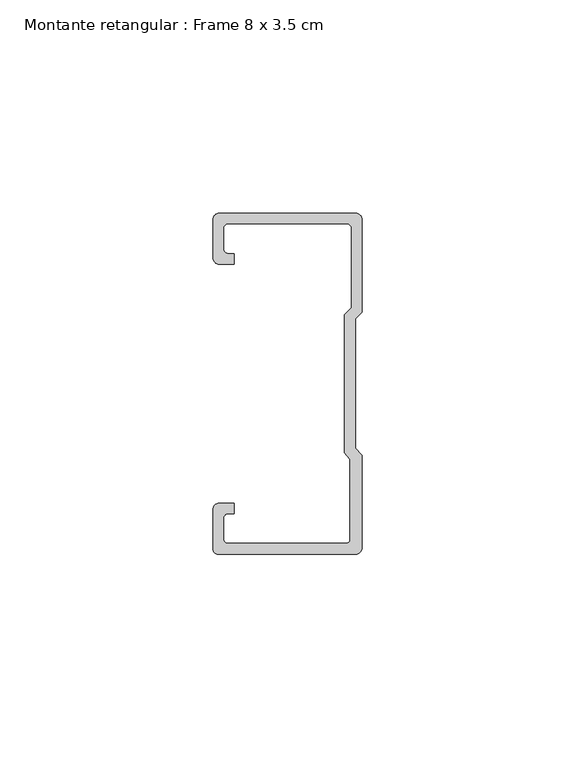
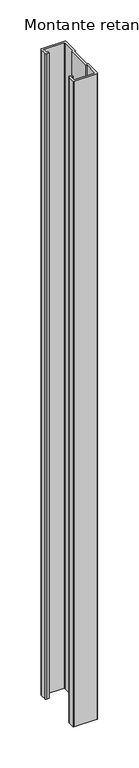
"""IFC4 building model written with IfcOpenShell, lengths in millimetres: member geometry, Montante retangular : Frame 8 x 3.5 cm."""

import ifcopenshell
import ifcopenshell.guid

model = None  # the IFC model being written
_history = None  # IfcOwnerHistory: only IFC2X3 demands one
_inside = {}  # id of a spatial element -> (the spatial element, [elements in it])
_under = {}  # id of a project, library or spatial element -> (it, [spatial elements below it])
_declared = {}  # id of a project -> (the project, [libraries it declares])
_typed = {}  # id of a type object -> (the type object, [elements of that type])
_made_of = {}  # id of a material, layer set ... -> (it, [elements and type objects made of it])


def new_model(schema):
    """Start an empty IFC model of exactly this schema.

    Asked for "IFC4X3", IfcOpenShell would pick the latest addendum, in which some entities
    have other attributes; the version numbers below select the first issue.
    IFC2X3 requires an IfcOwnerHistory on every rooted entity: one is made here for all.
    """
    global model, _history
    if schema == "IFC4X3":
        model = ifcopenshell.file(schema_version=(4, 3, 0, 0))
    else:
        model = ifcopenshell.file(schema=schema)
    _inside.clear()
    _under.clear()
    _declared.clear()
    _typed.clear()
    _made_of.clear()
    _history = None
    if model.schema == "IFC2X3":
        org = make("IfcOrganization", Name="unknown")
        user = make(
            "IfcPersonAndOrganization",
            ThePerson=make("IfcPerson", FamilyName="unknown"),
            TheOrganization=org,
        )
        app = make(
            "IfcApplication",
            ApplicationDeveloper=org,
            Version="unknown",
            ApplicationFullName="unknown",
            ApplicationIdentifier="unknown",
        )
        _history = make(
            "IfcOwnerHistory",
            OwningUser=user,
            OwningApplication=app,
            ChangeAction="ADDED",
            CreationDate=0,
        )
    return model


def make(cls, **values):
    """One entity of the class cls with the attributes given. An attribute that is None is left unset."""
    return model.create_entity(
        cls, **{name: value for name, value in values.items() if value is not None}
    )


def rooted(cls, **values):
    """An entity with a GlobalId (a new one), such as an element, a storey or a relation."""
    return make(cls, GlobalId=ifcopenshell.guid.new(), OwnerHistory=_history, **values)


def si_unit(unit_type, name, prefix=None):
    """IfcSIUnit, for example si_unit("LENGTHUNIT", "METRE", prefix="MILLI")."""
    return make("IfcSIUnit", UnitType=unit_type, Prefix=prefix, Name=name)


def assignment(units):
    """IfcUnitAssignment: the units of a project."""
    return None if units is None else make("IfcUnitAssignment", Units=units)


def point(xyz):
    """IfcCartesianPoint."""
    return None if xyz is None else make("IfcCartesianPoint", Coordinates=xyz)


def direction(xyz):
    """IfcDirection."""
    return None if xyz is None else make("IfcDirection", DirectionRatios=xyz)


def frame(location, z_axis=None, x_axis=None):
    """IfcAxis2Placement3D, a coordinate frame: its origin and axes. An axis left out is left unset."""
    return make(
        "IfcAxis2Placement3D",
        Location=point(location),
        Axis=direction(z_axis),
        RefDirection=direction(x_axis),
    )


def frame_2d(location, x_axis=None):
    """IfcAxis2Placement2D, a coordinate frame in the plane: its origin and x axis."""
    return make(
        "IfcAxis2Placement2D", Location=point(location), RefDirection=direction(x_axis)
    )


def origin():
    """The frame at (0, 0, 0) with its axes left unset."""
    return frame((0.0, 0.0, 0.0))


def place(relative_to, where):
    """IfcLocalPlacement: puts the frame where relative to a parent placement (None: the world)."""
    return make(
        "IfcLocalPlacement", PlacementRelTo=relative_to, RelativePlacement=where
    )


def context(
    kind, dimensions, precision=None, world=None, true_north=None, identifier=None
):
    """IfcGeometricRepresentationContext, for example the 3D "Model" context."""
    return make(
        "IfcGeometricRepresentationContext",
        ContextIdentifier=identifier,
        ContextType=kind,
        CoordinateSpaceDimension=dimensions,
        Precision=precision,
        WorldCoordinateSystem=world,
        TrueNorth=true_north,
    )


def project(units=None, contexts=None):
    """IfcProject with its units and contexts."""
    return rooted(
        "IfcProject",
        Name="project",
        RepresentationContexts=contexts,
        UnitsInContext=assignment(units),
    )


def spatial(cls, under=None, at=None, **own):
    """A site, building, storey or space (cls), placed at a placement, below another one or the project."""
    s = rooted(cls, ObjectPlacement=at, **own)
    if under is not None:
        _under.setdefault(under.id(), (under, []))[1].append(s)
    return s


def polyline(points):
    """IfcPolyline through the points."""
    return make("IfcPolyline", Points=[point(p) for p in points])


def circle_curve(where, radius):
    """IfcCircle in the frame where."""
    return make("IfcCircle", Position=where, Radius=radius)


def trimmed(basis, trim1, trim2, sense, master):
    """IfcTrimmedCurve: the piece of a basis curve between two trims."""
    return make(
        "IfcTrimmedCurve",
        BasisCurve=basis,
        Trim1=trim1,
        Trim2=trim2,
        SenseAgreement=sense,
        MasterRepresentation=master,
    )


def segment(curve, same_sense, transition):
    """IfcCompositeCurveSegment."""
    return make(
        "IfcCompositeCurveSegment",
        Transition=transition,
        SameSense=same_sense,
        ParentCurve=curve,
    )


def composite_curve(segments, self_intersect=None):
    """IfcCompositeCurve: segments joined end to end."""
    return make("IfcCompositeCurve", Segments=segments, SelfIntersect=self_intersect)


def outline(outer, holes=None, kind="AREA"):
    """IfcArbitraryClosedProfileDef: a profile drawn as a closed curve; with holes, ...WithVoids."""
    if holes is None:
        return make("IfcArbitraryClosedProfileDef", ProfileType=kind, OuterCurve=outer)
    return make(
        "IfcArbitraryProfileDefWithVoids",
        ProfileType=kind,
        OuterCurve=outer,
        InnerCurves=holes,
    )


def extrude(swept, where, along, depth):
    """IfcExtrudedAreaSolid: the profile swept, set in the frame where, extruded along a direction by depth."""
    return make(
        "IfcExtrudedAreaSolid",
        SweptArea=swept,
        Position=where,
        ExtrudedDirection=direction(along),
        Depth=depth,
    )


def shape(context_of_items, identifier, shape_type, items):
    """IfcShapeRepresentation: the items that make up one representation, for example the "Body"."""
    return make(
        "IfcShapeRepresentation",
        ContextOfItems=context_of_items,
        RepresentationIdentifier=identifier,
        RepresentationType=shape_type,
        Items=items,
    )


def source(mapping_origin, context_of_items, identifier, shape_type, items):
    """IfcRepresentationMap: a shape defined once, which mapped items show again and again."""
    return make(
        "IfcRepresentationMap",
        MappingOrigin=mapping_origin,
        MappedRepresentation=shape(context_of_items, identifier, shape_type, items),
    )


def transform(
    local_origin,
    x_axis=None,
    y_axis=None,
    z_axis=None,
    scale=None,
    scale2=None,
    scale3=None,
    uniform=True,
):
    """IfcCartesianTransformationOperator3D, or its non-uniform kind. x_axis, y_axis, z_axis: its Axis1, 2, 3."""
    if uniform:
        return make(
            "IfcCartesianTransformationOperator3D",
            Axis1=direction(x_axis),
            Axis2=direction(y_axis),
            LocalOrigin=point(local_origin),
            Scale=scale,
            Axis3=direction(z_axis),
        )
    return make(
        "IfcCartesianTransformationOperator3DnonUniform",
        Axis1=direction(x_axis),
        Axis2=direction(y_axis),
        LocalOrigin=point(local_origin),
        Scale=scale,
        Axis3=direction(z_axis),
        Scale2=scale2,
        Scale3=scale3,
    )


def mapped(mapping_source, mapping_target):
    """IfcMappedItem: shows the shape of a source again, moved by a transform."""
    return make(
        "IfcMappedItem", MappingSource=mapping_source, MappingTarget=mapping_target
    )


def made_of(thing, what):
    """Note that an element or type object is made of a material, layer set ...; save() writes the relation."""
    if what is not None:
        _made_of.setdefault(what.id(), (what, []))[1].append(thing)
    return thing


def element(
    cls,
    number,
    at=None,
    inside=None,
    cuts=None,
    type_object=None,
    material=None,
    context=None,
    identifier="Body",
    shape_type=None,
    held_by="IfcProductDefinitionShape",
    body=None,
    shapes=None,
    **own,
):
    """One element of the class cls, such as IfcWall. Its Tag is "e" and its number.

    at: its placement. inside: the storey or other place that contains it. cuts: it is an
    opening in that element (IfcRelVoidsElement). A single representation is given by context,
    identifier, shape_type and body (its items); several are given by shapes. held_by: the class
    of the entity that holds the representations. save() writes the other relations.
    """
    e = rooted(cls, Tag="e%d" % number, ObjectPlacement=at, **own)
    if body is not None:
        shapes = [shape(context, identifier, shape_type, body)]
    if shapes is not None:
        e.Representation = make(held_by, Representations=shapes)
    if inside is not None:
        _inside.setdefault(inside.id(), (inside, []))[1].append(e)
    if cuts is not None:
        rooted(
            "IfcRelVoidsElement", RelatingBuildingElement=cuts, RelatedOpeningElement=e
        )
    if type_object is not None:
        _typed.setdefault(type_object.id(), (type_object, []))[1].append(e)
    return made_of(e, material)


def aggregate(whole, parts):
    """IfcRelAggregates: a whole, such as a stair, and the parts it consists of."""
    return rooted("IfcRelAggregates", RelatingObject=whole, RelatedObjects=parts)


def save(model, path):
    """Write the relations noted so far, then the file.

    IfcRelAggregates (storeys below a building ...), IfcRelContainedInSpatialStructure (elements
    in a storey), IfcRelDefinesByType, IfcRelAssociatesMaterial and IfcRelDeclares: one each for
    every whole, place, type object, material and project.
    """
    for whole, parts in _under.values():
        aggregate(whole, parts)
    for where, things in _inside.values():
        rooted(
            "IfcRelContainedInSpatialStructure",
            RelatedElements=things,
            RelatingStructure=where,
        )
    for kind, things in _typed.values():
        rooted("IfcRelDefinesByType", RelatedObjects=things, RelatingType=kind)
    for what, things in _made_of.values():
        rooted("IfcRelAssociatesMaterial", RelatedObjects=things, RelatingMaterial=what)
    for by, libraries in _declared.values():
        rooted("IfcRelDeclares", RelatingContext=by, RelatedDefinitions=libraries)
    model.write(path)


def montante_retangular_frame_8_x_3_5_cm_8da47d1d(model_context):
    return source(origin(), model_context, "Body", "SweptSolid", [
        extrude(outline(composite_curve([segment(polyline([(-17.5, 29.5276505), (-17.5, 38.5)]), True, "CONTINUOUS"), segment(trimmed(circle_curve(frame_2d((-16.0, 38.5)), 1.5), [point((-17.5, 38.5))], [point((-16.0, 40.0))], False, "CARTESIAN"), True, "CONTINUOUS"), segment(polyline([(-16.0, 40.0), (16.0, 40.0)]), True, "CONTINUOUS"), segment(trimmed(circle_curve(frame_2d((16.0, 38.5)), 1.5), [point((16.0, 40.0))], [point((17.5, 38.5))], False, "CARTESIAN"), True, "CONTINUOUS"), segment(polyline([(17.5, 38.5), (17.5, 16.7622662), (15.9122869, 15.174553), (15.9122869, -15.174553), (17.5, -16.7622662), (17.5, -38.5)]), True, "CONTINUOUS"), segment(trimmed(circle_curve(frame_2d((16.0, -38.5)), 1.5), [point((17.5, -38.5))], [point((16.0, -40.0))], False, "CARTESIAN"), True, "CONTINUOUS"), segment(polyline([(16.0, -40.0), (-16.3171833, -40.0)]), True, "CONTINUOUS"), segment(trimmed(circle_curve(frame_2d((-16.3171833, -38.8171833)), 1.1828167), [point((-16.3171833, -40.0))], [point((-17.5, -38.8171833))], False, "CARTESIAN"), True, "CONTINUOUS"), segment(polyline([(-17.5, -38.8171833), (-17.5, -29.5276505)]), True, "CONTINUOUS"), segment(trimmed(circle_curve(frame_2d((-16.0, -29.5276505)), 1.5), [point((-17.5, -29.5276505))], [point((-16.0, -28.0276505))], False, "CARTESIAN"), True, "CONTINUOUS"), segment(polyline([(-16.0, -28.0276505), (-12.5162256, -28.0276505), (-12.5162256, -30.5276505), (-14.0, -30.5276505)]), True, "CONTINUOUS"), segment(trimmed(circle_curve(frame_2d((-14.0, -31.5276505)), 1.0), [point((-14.0, -30.5276505))], [point((-15.0, -31.5276505))], True, "CARTESIAN"), True, "CONTINUOUS"), segment(polyline([(-15.0, -31.5276505), (-15.0, -36.5)]), True, "CONTINUOUS"), segment(trimmed(circle_curve(frame_2d((-14.0, -36.5)), 1.0), [point((-15.0, -36.5))], [point((-14.0, -37.5))], True, "CARTESIAN"), True, "CONTINUOUS"), segment(polyline([(-14.0, -37.5), (13.692786, -37.5)]), True, "CONTINUOUS"), segment(trimmed(circle_curve(frame_2d((13.692786, -36.5)), 1.0), [point((13.692786, -37.5))], [point((14.692786, -36.5))], True, "CARTESIAN"), True, "CONTINUOUS"), segment(polyline([(14.692786, -36.5), (14.692786, -17.7671948), (13.4122869, -16.1794816), (13.4122869, 16.2100869), (15.0, 17.7978001), (15.0, 36.5)]), True, "CONTINUOUS"), segment(trimmed(circle_curve(frame_2d((14.0, 36.5)), 1.0), [point((15.0, 36.5))], [point((14.0, 37.5))], True, "CARTESIAN"), True, "CONTINUOUS"), segment(polyline([(14.0, 37.5), (-14.0, 37.5)]), True, "CONTINUOUS"), segment(trimmed(circle_curve(frame_2d((-14.0, 36.5)), 1.0), [point((-14.0, 37.5))], [point((-15.0, 36.5))], True, "CARTESIAN"), True, "CONTINUOUS"), segment(polyline([(-15.0, 36.5), (-15.0, 31.5276505)]), True, "CONTINUOUS"), segment(trimmed(circle_curve(frame_2d((-14.0, 31.5276505)), 1.0), [point((-15.0, 31.5276505))], [point((-14.0, 30.5276505))], True, "CARTESIAN"), True, "CONTINUOUS"), segment(polyline([(-14.0, 30.5276505), (-12.5162256, 30.5276505), (-12.5162256, 28.0276505), (-16.0, 28.0276505)]), True, "CONTINUOUS"), segment(trimmed(circle_curve(frame_2d((-16.0, 29.5276505)), 1.5), [point((-16.0, 28.0276505))], [point((-17.5, 29.5276505))], False, "CARTESIAN"), True, "CONTINUOUS")], self_intersect=False)), frame((0.0, 0.0, -965.0), z_axis=(0.0, 0.0, 1.0), x_axis=(1.0, 0.0, 0.0)), (0.0, 0.0, 1.0), 965.0),
    ])


if __name__ == "__main__":
    model = new_model("IFC4")
    model_context = context("Model", 3, world=origin())
    ifc_project = project(units=[si_unit("LENGTHUNIT", "METRE", prefix="MILLI")], contexts=[model_context])
    site = spatial("IfcSite", under=ifc_project)
    building = spatial("IfcBuilding", under=site)
    placement = place(None, origin())
    montante_retangular_frame_8_x_3_5_cm_shape = montante_retangular_frame_8_x_3_5_cm_8da47d1d(model_context)
    element("IfcMember", 1, ObjectType="Montante retangular : Frame 8 x 3.5 cm", at=placement, inside=building, context=model_context, shape_type="MappedRepresentation", body=[
        mapped(montante_retangular_frame_8_x_3_5_cm_shape, transform((0.0, 0.0, 0.0), x_axis=(1.0, 0.0, 0.0), y_axis=(0.0, 1.0, 0.0), z_axis=(0.0, 0.0, 1.0))),
    ])
    save(model, "model.ifc")
